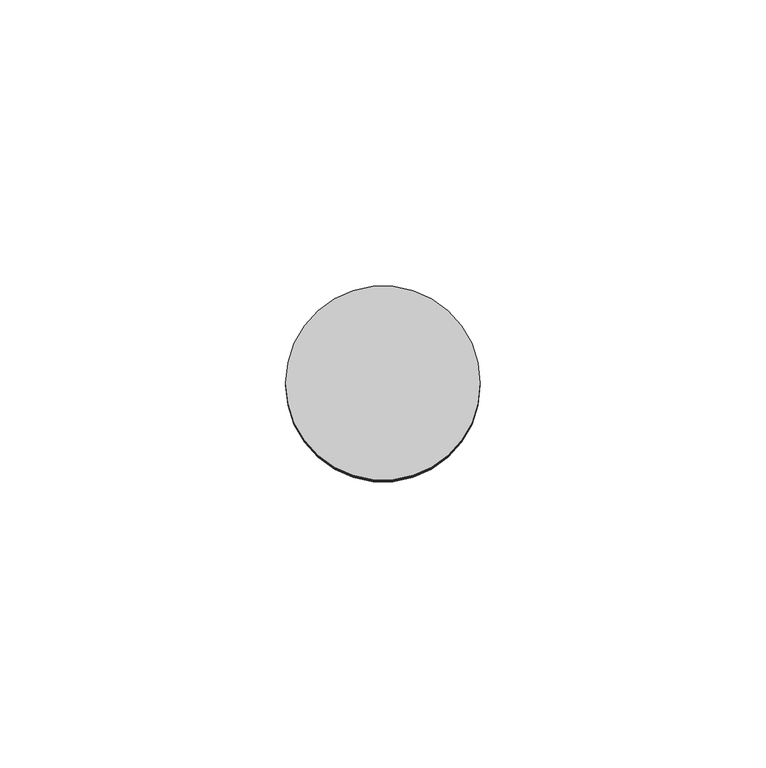
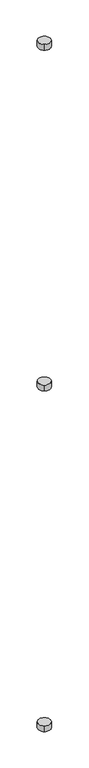
"""IFC4 building model written with IfcOpenShell, lengths in millimetres: plate geometry."""

import ifcopenshell
import ifcopenshell.guid

model = None  # the IFC model being written
_history = None  # IfcOwnerHistory: only IFC2X3 demands one
_inside = {}  # id of a spatial element -> (the spatial element, [elements in it])
_under = {}  # id of a project, library or spatial element -> (it, [spatial elements below it])
_declared = {}  # id of a project -> (the project, [libraries it declares])
_typed = {}  # id of a type object -> (the type object, [elements of that type])
_made_of = {}  # id of a material, layer set ... -> (it, [elements and type objects made of it])


def new_model(schema):
    """Start an empty IFC model of exactly this schema.

    Asked for "IFC4X3", IfcOpenShell would pick the latest addendum, in which some entities
    have other attributes; the version numbers below select the first issue.
    IFC2X3 requires an IfcOwnerHistory on every rooted entity: one is made here for all.
    """
    global model, _history
    if schema == "IFC4X3":
        model = ifcopenshell.file(schema_version=(4, 3, 0, 0))
    else:
        model = ifcopenshell.file(schema=schema)
    _inside.clear()
    _under.clear()
    _declared.clear()
    _typed.clear()
    _made_of.clear()
    _history = None
    if model.schema == "IFC2X3":
        org = make("IfcOrganization", Name="unknown")
        user = make(
            "IfcPersonAndOrganization",
            ThePerson=make("IfcPerson", FamilyName="unknown"),
            TheOrganization=org,
        )
        app = make(
            "IfcApplication",
            ApplicationDeveloper=org,
            Version="unknown",
            ApplicationFullName="unknown",
            ApplicationIdentifier="unknown",
        )
        _history = make(
            "IfcOwnerHistory",
            OwningUser=user,
            OwningApplication=app,
            ChangeAction="ADDED",
            CreationDate=0,
        )
    return model


def make(cls, **values):
    """One entity of the class cls with the attributes given. An attribute that is None is left unset."""
    return model.create_entity(
        cls, **{name: value for name, value in values.items() if value is not None}
    )


def rooted(cls, **values):
    """An entity with a GlobalId (a new one), such as an element, a storey or a relation."""
    return make(cls, GlobalId=ifcopenshell.guid.new(), OwnerHistory=_history, **values)


def si_unit(unit_type, name, prefix=None):
    """IfcSIUnit, for example si_unit("LENGTHUNIT", "METRE", prefix="MILLI")."""
    return make("IfcSIUnit", UnitType=unit_type, Prefix=prefix, Name=name)


def assignment(units):
    """IfcUnitAssignment: the units of a project."""
    return None if units is None else make("IfcUnitAssignment", Units=units)


def point(xyz):
    """IfcCartesianPoint."""
    return None if xyz is None else make("IfcCartesianPoint", Coordinates=xyz)


def direction(xyz):
    """IfcDirection."""
    return None if xyz is None else make("IfcDirection", DirectionRatios=xyz)


def frame(location, z_axis=None, x_axis=None):
    """IfcAxis2Placement3D, a coordinate frame: its origin and axes. An axis left out is left unset."""
    return make(
        "IfcAxis2Placement3D",
        Location=point(location),
        Axis=direction(z_axis),
        RefDirection=direction(x_axis),
    )


def frame_2d(location, x_axis=None):
    """IfcAxis2Placement2D, a coordinate frame in the plane: its origin and x axis."""
    return make(
        "IfcAxis2Placement2D", Location=point(location), RefDirection=direction(x_axis)
    )


def origin():
    """The frame at (0, 0, 0) with its axes left unset."""
    return frame((0.0, 0.0, 0.0))


def origin_2d():
    """The frame at (0, 0) in the plane with its x axis left unset."""
    return frame_2d((0.0, 0.0))


def place(relative_to, where):
    """IfcLocalPlacement: puts the frame where relative to a parent placement (None: the world)."""
    return make(
        "IfcLocalPlacement", PlacementRelTo=relative_to, RelativePlacement=where
    )


def context(
    kind, dimensions, precision=None, world=None, true_north=None, identifier=None
):
    """IfcGeometricRepresentationContext, for example the 3D "Model" context."""
    return make(
        "IfcGeometricRepresentationContext",
        ContextIdentifier=identifier,
        ContextType=kind,
        CoordinateSpaceDimension=dimensions,
        Precision=precision,
        WorldCoordinateSystem=world,
        TrueNorth=true_north,
    )


def project(units=None, contexts=None):
    """IfcProject with its units and contexts."""
    return rooted(
        "IfcProject",
        Name="project",
        RepresentationContexts=contexts,
        UnitsInContext=assignment(units),
    )


def spatial(cls, under=None, at=None, **own):
    """A site, building, storey or space (cls), placed at a placement, below another one or the project."""
    s = rooted(cls, ObjectPlacement=at, **own)
    if under is not None:
        _under.setdefault(under.id(), (under, []))[1].append(s)
    return s


def circle_curve(where, radius):
    """IfcCircle in the frame where."""
    return make("IfcCircle", Position=where, Radius=radius)


def trimmed(basis, trim1, trim2, sense, master):
    """IfcTrimmedCurve: the piece of a basis curve between two trims."""
    return make(
        "IfcTrimmedCurve",
        BasisCurve=basis,
        Trim1=trim1,
        Trim2=trim2,
        SenseAgreement=sense,
        MasterRepresentation=master,
    )


def segment(curve, same_sense, transition):
    """IfcCompositeCurveSegment."""
    return make(
        "IfcCompositeCurveSegment",
        Transition=transition,
        SameSense=same_sense,
        ParentCurve=curve,
    )


def composite_curve(segments, self_intersect=None):
    """IfcCompositeCurve: segments joined end to end."""
    return make("IfcCompositeCurve", Segments=segments, SelfIntersect=self_intersect)


def outline(outer, holes=None, kind="AREA"):
    """IfcArbitraryClosedProfileDef: a profile drawn as a closed curve; with holes, ...WithVoids."""
    if holes is None:
        return make("IfcArbitraryClosedProfileDef", ProfileType=kind, OuterCurve=outer)
    return make(
        "IfcArbitraryProfileDefWithVoids",
        ProfileType=kind,
        OuterCurve=outer,
        InnerCurves=holes,
    )


def extrude(swept, where, along, depth):
    """IfcExtrudedAreaSolid: the profile swept, set in the frame where, extruded along a direction by depth."""
    return make(
        "IfcExtrudedAreaSolid",
        SweptArea=swept,
        Position=where,
        ExtrudedDirection=direction(along),
        Depth=depth,
    )


def shape(context_of_items, identifier, shape_type, items):
    """IfcShapeRepresentation: the items that make up one representation, for example the "Body"."""
    return make(
        "IfcShapeRepresentation",
        ContextOfItems=context_of_items,
        RepresentationIdentifier=identifier,
        RepresentationType=shape_type,
        Items=items,
    )


def source(mapping_origin, context_of_items, identifier, shape_type, items):
    """IfcRepresentationMap: a shape defined once, which mapped items show again and again."""
    return make(
        "IfcRepresentationMap",
        MappingOrigin=mapping_origin,
        MappedRepresentation=shape(context_of_items, identifier, shape_type, items),
    )


def transform(
    local_origin,
    x_axis=None,
    y_axis=None,
    z_axis=None,
    scale=None,
    scale2=None,
    scale3=None,
    uniform=True,
):
    """IfcCartesianTransformationOperator3D, or its non-uniform kind. x_axis, y_axis, z_axis: its Axis1, 2, 3."""
    if uniform:
        return make(
            "IfcCartesianTransformationOperator3D",
            Axis1=direction(x_axis),
            Axis2=direction(y_axis),
            LocalOrigin=point(local_origin),
            Scale=scale,
            Axis3=direction(z_axis),
        )
    return make(
        "IfcCartesianTransformationOperator3DnonUniform",
        Axis1=direction(x_axis),
        Axis2=direction(y_axis),
        LocalOrigin=point(local_origin),
        Scale=scale,
        Axis3=direction(z_axis),
        Scale2=scale2,
        Scale3=scale3,
    )


def mapped(mapping_source, mapping_target):
    """IfcMappedItem: shows the shape of a source again, moved by a transform."""
    return make(
        "IfcMappedItem", MappingSource=mapping_source, MappingTarget=mapping_target
    )


def made_of(thing, what):
    """Note that an element or type object is made of a material, layer set ...; save() writes the relation."""
    if what is not None:
        _made_of.setdefault(what.id(), (what, []))[1].append(thing)
    return thing


def element(
    cls,
    number,
    at=None,
    inside=None,
    cuts=None,
    type_object=None,
    material=None,
    context=None,
    identifier="Body",
    shape_type=None,
    held_by="IfcProductDefinitionShape",
    body=None,
    shapes=None,
    **own,
):
    """One element of the class cls, such as IfcWall. Its Tag is "e" and its number.

    at: its placement. inside: the storey or other place that contains it. cuts: it is an
    opening in that element (IfcRelVoidsElement). A single representation is given by context,
    identifier, shape_type and body (its items); several are given by shapes. held_by: the class
    of the entity that holds the representations. save() writes the other relations.
    """
    e = rooted(cls, Tag="e%d" % number, ObjectPlacement=at, **own)
    if body is not None:
        shapes = [shape(context, identifier, shape_type, body)]
    if shapes is not None:
        e.Representation = make(held_by, Representations=shapes)
    if inside is not None:
        _inside.setdefault(inside.id(), (inside, []))[1].append(e)
    if cuts is not None:
        rooted(
            "IfcRelVoidsElement", RelatingBuildingElement=cuts, RelatedOpeningElement=e
        )
    if type_object is not None:
        _typed.setdefault(type_object.id(), (type_object, []))[1].append(e)
    return made_of(e, material)


def aggregate(whole, parts):
    """IfcRelAggregates: a whole, such as a stair, and the parts it consists of."""
    return rooted("IfcRelAggregates", RelatingObject=whole, RelatedObjects=parts)


def save(model, path):
    """Write the relations noted so far, then the file.

    IfcRelAggregates (storeys below a building ...), IfcRelContainedInSpatialStructure (elements
    in a storey), IfcRelDefinesByType, IfcRelAssociatesMaterial and IfcRelDeclares: one each for
    every whole, place, type object, material and project.
    """
    for whole, parts in _under.values():
        aggregate(whole, parts)
    for where, things in _inside.values():
        rooted(
            "IfcRelContainedInSpatialStructure",
            RelatedElements=things,
            RelatingStructure=where,
        )
    for kind, things in _typed.values():
        rooted("IfcRelDefinesByType", RelatedObjects=things, RelatingType=kind)
    for what, things in _made_of.values():
        rooted("IfcRelAssociatesMaterial", RelatedObjects=things, RelatingMaterial=what)
    for by, libraries in _declared.values():
        rooted("IfcRelDeclares", RelatingContext=by, RelatedDefinitions=libraries)
    model.write(path)


def plate_11273e3a(model_context):
    return source(origin(), model_context, "Body", "SweptSolid", [
        extrude(outline(composite_curve([segment(trimmed(circle_curve(origin_2d(), 17.0), [point((-8.5, -14.7224319))], [point((8.5, 14.7224319))], False, "CARTESIAN"), True, "CONTINUOUS"), segment(trimmed(circle_curve(origin_2d(), 17.0), [point((8.5, 14.7224319))], [point((-8.5, -14.7224319))], False, "CARTESIAN"), True, "CONTINUOUS")], self_intersect=False)), frame((0.0, 0.0, 3000.0), z_axis=(0.0, 0.0, 1.0), x_axis=(1.0, 0.0, 0.0)), (0.0, 0.0, 1.0), 17.0),
        extrude(outline(composite_curve([segment(trimmed(circle_curve(origin_2d(), 17.0), [point((-8.5, -14.7224319))], [point((8.5, 14.7224319))], False, "CARTESIAN"), True, "CONTINUOUS"), segment(trimmed(circle_curve(origin_2d(), 17.0), [point((8.5, 14.7224319))], [point((-8.5, -14.7224319))], False, "CARTESIAN"), True, "CONTINUOUS")], self_intersect=False)), frame((0.0, 0.0, 2000.0), z_axis=(0.0, 0.0, 1.0), x_axis=(1.0, 0.0, 0.0)), (0.0, 0.0, 1.0), 17.0),
        extrude(outline(composite_curve([segment(trimmed(circle_curve(origin_2d(), 17.0), [point((-8.5, -14.7224319))], [point((8.5, 14.7224319))], False, "CARTESIAN"), True, "CONTINUOUS"), segment(trimmed(circle_curve(origin_2d(), 17.0), [point((8.5, 14.7224319))], [point((-8.5, -14.7224319))], False, "CARTESIAN"), True, "CONTINUOUS")], self_intersect=False)), frame((0.0, 0.0, 1000.0), z_axis=(0.0, 0.0, 1.0), x_axis=(1.0, 0.0, 0.0)), (0.0, 0.0, 1.0), 17.0),
    ])


if __name__ == "__main__":
    model = new_model("IFC4")
    model_context = context("Model", 3, world=origin())
    ifc_project = project(units=[si_unit("LENGTHUNIT", "METRE", prefix="MILLI")], contexts=[model_context])
    site = spatial("IfcSite", under=ifc_project)
    building = spatial("IfcBuilding", under=site)
    placement = place(None, origin())
    plate_shape = plate_11273e3a(model_context)
    element("IfcPlate", 1, at=placement, inside=building, context=model_context, shape_type="MappedRepresentation", body=[
        mapped(plate_shape, transform((0.0, 0.0, 0.0), x_axis=(1.0, 0.0, 0.0), y_axis=(0.0, 1.0, 0.0), z_axis=(0.0, 0.0, 1.0))),
    ])
    save(model, "model.ifc")
